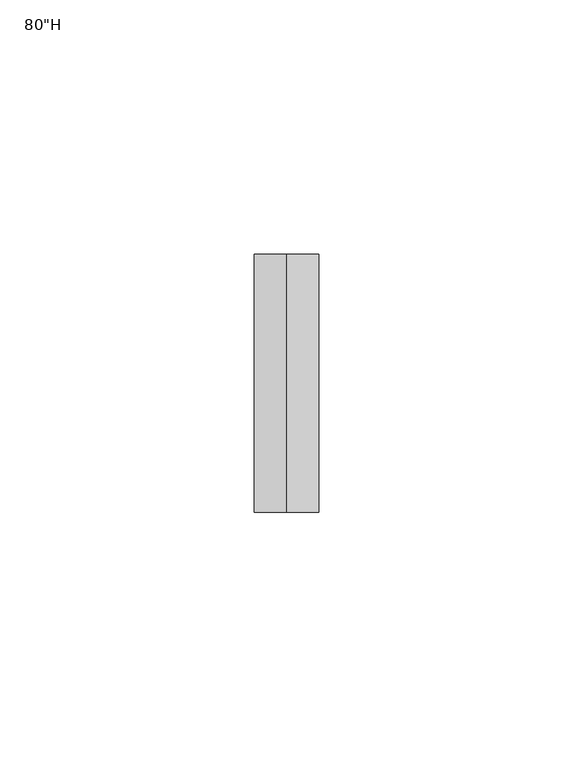
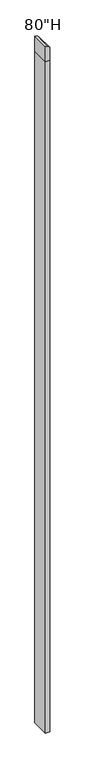
"""IFC4 building model written with IfcOpenShell, lengths in millimetres: furniture geometry."""

import ifcopenshell
import ifcopenshell.guid

model = None  # the IFC model being written
_history = None  # IfcOwnerHistory: only IFC2X3 demands one
_inside = {}  # id of a spatial element -> (the spatial element, [elements in it])
_under = {}  # id of a project, library or spatial element -> (it, [spatial elements below it])
_declared = {}  # id of a project -> (the project, [libraries it declares])
_typed = {}  # id of a type object -> (the type object, [elements of that type])
_made_of = {}  # id of a material, layer set ... -> (it, [elements and type objects made of it])


def new_model(schema):
    """Start an empty IFC model of exactly this schema.

    Asked for "IFC4X3", IfcOpenShell would pick the latest addendum, in which some entities
    have other attributes; the version numbers below select the first issue.
    IFC2X3 requires an IfcOwnerHistory on every rooted entity: one is made here for all.
    """
    global model, _history
    if schema == "IFC4X3":
        model = ifcopenshell.file(schema_version=(4, 3, 0, 0))
    else:
        model = ifcopenshell.file(schema=schema)
    _inside.clear()
    _under.clear()
    _declared.clear()
    _typed.clear()
    _made_of.clear()
    _history = None
    if model.schema == "IFC2X3":
        org = make("IfcOrganization", Name="unknown")
        user = make(
            "IfcPersonAndOrganization",
            ThePerson=make("IfcPerson", FamilyName="unknown"),
            TheOrganization=org,
        )
        app = make(
            "IfcApplication",
            ApplicationDeveloper=org,
            Version="unknown",
            ApplicationFullName="unknown",
            ApplicationIdentifier="unknown",
        )
        _history = make(
            "IfcOwnerHistory",
            OwningUser=user,
            OwningApplication=app,
            ChangeAction="ADDED",
            CreationDate=0,
        )
    return model


def make(cls, **values):
    """One entity of the class cls with the attributes given. An attribute that is None is left unset."""
    return model.create_entity(
        cls, **{name: value for name, value in values.items() if value is not None}
    )


def rooted(cls, **values):
    """An entity with a GlobalId (a new one), such as an element, a storey or a relation."""
    return make(cls, GlobalId=ifcopenshell.guid.new(), OwnerHistory=_history, **values)


def si_unit(unit_type, name, prefix=None):
    """IfcSIUnit, for example si_unit("LENGTHUNIT", "METRE", prefix="MILLI")."""
    return make("IfcSIUnit", UnitType=unit_type, Prefix=prefix, Name=name)


def assignment(units):
    """IfcUnitAssignment: the units of a project."""
    return None if units is None else make("IfcUnitAssignment", Units=units)


def point(xyz):
    """IfcCartesianPoint."""
    return None if xyz is None else make("IfcCartesianPoint", Coordinates=xyz)


def direction(xyz):
    """IfcDirection."""
    return None if xyz is None else make("IfcDirection", DirectionRatios=xyz)


def frame(location, z_axis=None, x_axis=None):
    """IfcAxis2Placement3D, a coordinate frame: its origin and axes. An axis left out is left unset."""
    return make(
        "IfcAxis2Placement3D",
        Location=point(location),
        Axis=direction(z_axis),
        RefDirection=direction(x_axis),
    )


def origin():
    """The frame at (0, 0, 0) with its axes left unset."""
    return frame((0.0, 0.0, 0.0))


def place(relative_to, where):
    """IfcLocalPlacement: puts the frame where relative to a parent placement (None: the world)."""
    return make(
        "IfcLocalPlacement", PlacementRelTo=relative_to, RelativePlacement=where
    )


def context(
    kind, dimensions, precision=None, world=None, true_north=None, identifier=None
):
    """IfcGeometricRepresentationContext, for example the 3D "Model" context."""
    return make(
        "IfcGeometricRepresentationContext",
        ContextIdentifier=identifier,
        ContextType=kind,
        CoordinateSpaceDimension=dimensions,
        Precision=precision,
        WorldCoordinateSystem=world,
        TrueNorth=true_north,
    )


def project(units=None, contexts=None):
    """IfcProject with its units and contexts."""
    return rooted(
        "IfcProject",
        Name="project",
        RepresentationContexts=contexts,
        UnitsInContext=assignment(units),
    )


def spatial(cls, under=None, at=None, **own):
    """A site, building, storey or space (cls), placed at a placement, below another one or the project."""
    s = rooted(cls, ObjectPlacement=at, **own)
    if under is not None:
        _under.setdefault(under.id(), (under, []))[1].append(s)
    return s


def polyline(points):
    """IfcPolyline through the points."""
    return make("IfcPolyline", Points=[point(p) for p in points])


def outline(outer, holes=None, kind="AREA"):
    """IfcArbitraryClosedProfileDef: a profile drawn as a closed curve; with holes, ...WithVoids."""
    if holes is None:
        return make("IfcArbitraryClosedProfileDef", ProfileType=kind, OuterCurve=outer)
    return make(
        "IfcArbitraryProfileDefWithVoids",
        ProfileType=kind,
        OuterCurve=outer,
        InnerCurves=holes,
    )


def extrude(swept, where, along, depth):
    """IfcExtrudedAreaSolid: the profile swept, set in the frame where, extruded along a direction by depth."""
    return make(
        "IfcExtrudedAreaSolid",
        SweptArea=swept,
        Position=where,
        ExtrudedDirection=direction(along),
        Depth=depth,
    )


def shape(context_of_items, identifier, shape_type, items):
    """IfcShapeRepresentation: the items that make up one representation, for example the "Body"."""
    return make(
        "IfcShapeRepresentation",
        ContextOfItems=context_of_items,
        RepresentationIdentifier=identifier,
        RepresentationType=shape_type,
        Items=items,
    )


def source(mapping_origin, context_of_items, identifier, shape_type, items):
    """IfcRepresentationMap: a shape defined once, which mapped items show again and again."""
    return make(
        "IfcRepresentationMap",
        MappingOrigin=mapping_origin,
        MappedRepresentation=shape(context_of_items, identifier, shape_type, items),
    )


def transform(
    local_origin,
    x_axis=None,
    y_axis=None,
    z_axis=None,
    scale=None,
    scale2=None,
    scale3=None,
    uniform=True,
):
    """IfcCartesianTransformationOperator3D, or its non-uniform kind. x_axis, y_axis, z_axis: its Axis1, 2, 3."""
    if uniform:
        return make(
            "IfcCartesianTransformationOperator3D",
            Axis1=direction(x_axis),
            Axis2=direction(y_axis),
            LocalOrigin=point(local_origin),
            Scale=scale,
            Axis3=direction(z_axis),
        )
    return make(
        "IfcCartesianTransformationOperator3DnonUniform",
        Axis1=direction(x_axis),
        Axis2=direction(y_axis),
        LocalOrigin=point(local_origin),
        Scale=scale,
        Axis3=direction(z_axis),
        Scale2=scale2,
        Scale3=scale3,
    )


def mapped(mapping_source, mapping_target):
    """IfcMappedItem: shows the shape of a source again, moved by a transform."""
    return make(
        "IfcMappedItem", MappingSource=mapping_source, MappingTarget=mapping_target
    )


def made_of(thing, what):
    """Note that an element or type object is made of a material, layer set ...; save() writes the relation."""
    if what is not None:
        _made_of.setdefault(what.id(), (what, []))[1].append(thing)
    return thing


def element(
    cls,
    number,
    at=None,
    inside=None,
    cuts=None,
    type_object=None,
    material=None,
    context=None,
    identifier="Body",
    shape_type=None,
    held_by="IfcProductDefinitionShape",
    body=None,
    shapes=None,
    **own,
):
    """One element of the class cls, such as IfcWall. Its Tag is "e" and its number.

    at: its placement. inside: the storey or other place that contains it. cuts: it is an
    opening in that element (IfcRelVoidsElement). A single representation is given by context,
    identifier, shape_type and body (its items); several are given by shapes. held_by: the class
    of the entity that holds the representations. save() writes the other relations.
    """
    e = rooted(cls, Tag="e%d" % number, ObjectPlacement=at, **own)
    if body is not None:
        shapes = [shape(context, identifier, shape_type, body)]
    if shapes is not None:
        e.Representation = make(held_by, Representations=shapes)
    if inside is not None:
        _inside.setdefault(inside.id(), (inside, []))[1].append(e)
    if cuts is not None:
        rooted(
            "IfcRelVoidsElement", RelatingBuildingElement=cuts, RelatedOpeningElement=e
        )
    if type_object is not None:
        _typed.setdefault(type_object.id(), (type_object, []))[1].append(e)
    return made_of(e, material)


def aggregate(whole, parts):
    """IfcRelAggregates: a whole, such as a stair, and the parts it consists of."""
    return rooted("IfcRelAggregates", RelatingObject=whole, RelatedObjects=parts)


def save(model, path):
    """Write the relations noted so far, then the file.

    IfcRelAggregates (storeys below a building ...), IfcRelContainedInSpatialStructure (elements
    in a storey), IfcRelDefinesByType, IfcRelAssociatesMaterial and IfcRelDeclares: one each for
    every whole, place, type object, material and project.
    """
    for whole, parts in _under.values():
        aggregate(whole, parts)
    for where, things in _inside.values():
        rooted(
            "IfcRelContainedInSpatialStructure",
            RelatedElements=things,
            RelatingStructure=where,
        )
    for kind, things in _typed.values():
        rooted("IfcRelDefinesByType", RelatedObjects=things, RelatingType=kind)
    for what, things in _made_of.values():
        rooted("IfcRelAssociatesMaterial", RelatedObjects=things, RelatingMaterial=what)
    for by, libraries in _declared.values():
        rooted("IfcRelDeclares", RelatingContext=by, RelatedDefinitions=libraries)
    model.write(path)


def furniture_7353ef45(model_context):
    return source(origin(), model_context, "Body", "SweptSolid", [
        extrude(outline(polyline([(1997.075, 1984.8560512), (1997.075, 1997.5560512), (2035.175, 1997.5560512), (2041.525, 1991.2060512), (2041.525, 1984.8560512), (1997.075, 1984.8560512)])), frame((0.0, -2474.1387877, 0.0), z_axis=(0.0, 1.0, 0.0), x_axis=(0.0, 0.0, 1.0)), (0.0, 0.0, 1.0), 50.8),
        extrude(outline(polyline([(1984.8560512, -2474.1387877), (1984.8560512, -2423.3387877), (1997.5560512, -2423.3387877), (1997.5560512, -2474.1387877), (1984.8560512, -2474.1387877)])), frame((0.0, 0.0, 9.525), z_axis=(0.0, 0.0, 1.0), x_axis=(1.0, 0.0, 0.0)), (0.0, 0.0, 1.0), 1987.55),
    ])


if __name__ == "__main__":
    model = new_model("IFC4")
    model_context = context("Model", 3, world=origin())
    ifc_project = project(units=[si_unit("LENGTHUNIT", "METRE", prefix="MILLI")], contexts=[model_context])
    site = spatial("IfcSite", under=ifc_project)
    building = spatial("IfcBuilding", under=site)
    placement = place(None, origin())
    furniture_shape = furniture_7353ef45(model_context)
    element("IfcFurniture", 1, ObjectType="80\"H", at=placement, inside=building, context=model_context, shape_type="MappedRepresentation", body=[
        mapped(furniture_shape, transform((0.0, 0.0, 0.0), x_axis=(1.0, 0.0, 0.0), y_axis=(0.0, 1.0, 0.0), z_axis=(0.0, 0.0, 1.0))),
    ])
    save(model, "model.ifc")
